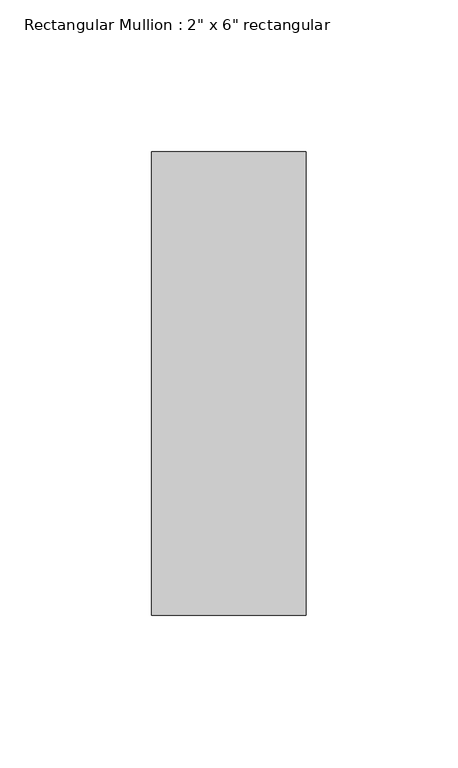
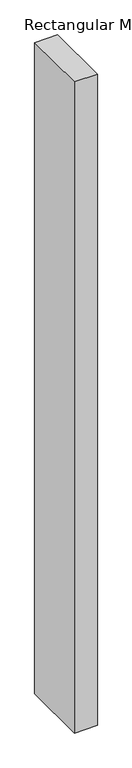
"""IFC4 building model written with IfcOpenShell, lengths in millimetres: member geometry."""

from ifc_helpers import new_model, si_unit, frame, origin, place, context, project, spatial, polyline, outline, extrude, source, transform, mapped, element, save


def member_086771e9(model_context):
    return source(origin(), model_context, "Body", "SweptSolid", [
        extrude(outline(polyline([(25.4, 76.2), (25.4, -76.2), (-25.4, -76.2), (-25.4, 76.2), (25.4, 76.2)])), frame((0.0, 0.0, -1524.449103), z_axis=(0.0, 0.0, 1.0), x_axis=(1.0, 0.0, 0.0)), (0.0, 0.0, 1.0), 1524.449103),
    ])


if __name__ == "__main__":
    model = new_model("IFC4")
    model_context = context("Model", 3, world=origin())
    ifc_project = project(units=[si_unit("LENGTHUNIT", "METRE", prefix="MILLI")], contexts=[model_context])
    site = spatial("IfcSite", under=ifc_project)
    building = spatial("IfcBuilding", under=site)
    placement = place(None, origin())
    member_shape = member_086771e9(model_context)
    element("IfcMember", 1, ObjectType="Rectangular Mullion : 2\" x 6\" rectangular", at=placement, inside=building, context=model_context, shape_type="MappedRepresentation", body=[
        mapped(member_shape, transform((0.0, 0.0, 0.0), x_axis=(1.0, 0.0, 0.0), y_axis=(0.0, 1.0, 0.0), z_axis=(0.0, 0.0, 1.0))),
    ])
    save(model, "model.ifc")
